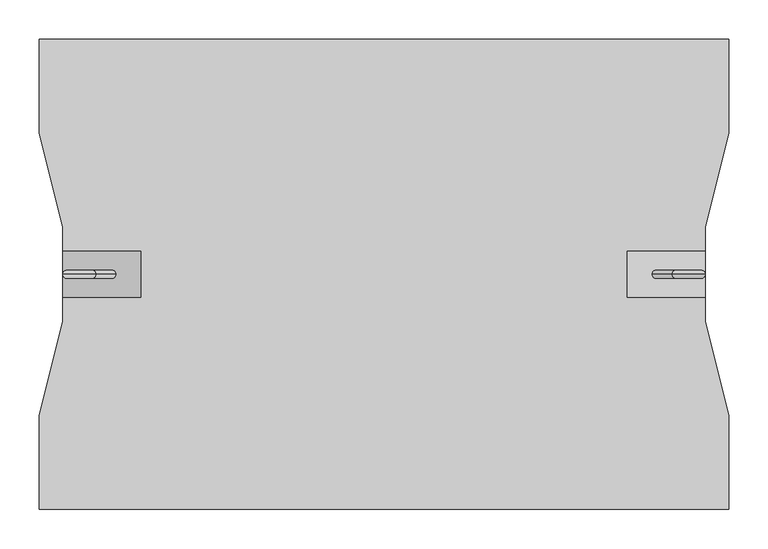
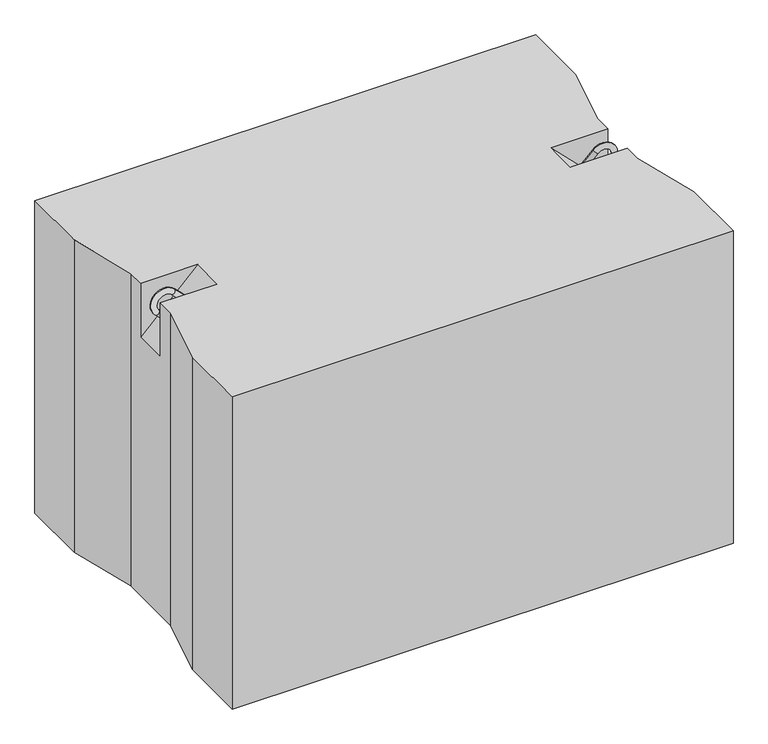
"""IFC4 building model written with IfcOpenShell, lengths in millimetres: proxy geometry."""

from ifc_helpers import new_model, si_unit, point, frame, origin, place, context, project, spatial, circle_curve, ellipse_curve, trimmed, faceted_brep, source, transform, mapped, element, save
from ifc_brep_helpers import plane_surface, cylinder_surface, revolved_surface, advanced_brep


def generic_models_04e360f8(model_context):
    return source(origin(), model_context, "Body", "SolidModel", [
        advanced_brep(
        [(782.3223305, 0.0, 547.6776695), (789.3933983, 0.0, 540.6066017), (814.3933983, 0.0, 565.6066017), (807.3223305, 0.0, 572.6776695), (835.6066017, 0.0, 544.3933983), (842.6776695, 0.0, 537.3223305), (817.6776695, 0.0, 512.3223305), (810.6066017, 0.0, 519.3933983)],
        [
            (0, 1, circle_curve(frame((785.8578644, 0.0, 544.1421356), z_axis=(-0.7071067811865482, 0.0, -0.7071067811865468), x_axis=(0.7071067811865468, 0.0, -0.7071067811865482)), 5.0)),
            (1, 0, circle_curve(frame((785.8578644, 0.0, 544.1421356), z_axis=(-0.7071067811865482, 0.0, -0.7071067811865468), x_axis=(0.7071067811865468, 0.0, -0.7071067811865482)), 5.0)),
            (1, 2),
            (2, 3, circle_curve(frame((810.8578644, 0.0, 569.1421356), z_axis=(-0.7071067811865482, 0.0, -0.7071067811865468), x_axis=(0.7071067811865468, 0.0, -0.7071067811865482)), 5.0)),
            (3, 0),
            (3, 2, circle_curve(frame((810.8578644, 0.0, 569.1421356), z_axis=(-0.7071067811865482, 0.0, -0.7071067811865468), x_axis=(0.7071067811865468, 0.0, -0.7071067811865482)), 5.0)),
            (4, 5, circle_curve(frame((839.1421356, 0.0, 540.8578644), z_axis=(0.7071067811865457, 0.0, 0.7071067811865493), x_axis=(-0.7071067811865493, 0.0, 0.7071067811865457)), 5.0)),
            (5, 3, circle_curve(frame((825.0, 0.0, 555.0), z_axis=(0.0, -1.0, 0.0), x_axis=(-0.7071067811865468, 0.0, 0.7071067811865482)), 25.0)),
            (2, 4, circle_curve(frame((825.0, 0.0, 555.0), z_axis=(0.0, 1.0, 0.0), x_axis=(-0.7071067811865468, 0.0, 0.7071067811865482)), 15.0)),
            (5, 4, circle_curve(frame((839.1421356, 0.0, 540.8578644), z_axis=(0.7071067811865459, 0.0, 0.7071067811865491), x_axis=(-0.7071067811865491, 0.0, 0.7071067811865459)), 5.0)),
            (6, 7, circle_curve(frame((814.1421356, 0.0, 515.8578644), z_axis=(-0.7071067811865505, 0.0, -0.7071067811865446), x_axis=(-0.7071067811865446, 0.0, 0.7071067811865505)), 5.0)),
            (7, 6, circle_curve(frame((814.1421356, 0.0, 515.8578644), z_axis=(-0.7071067811865505, 0.0, -0.7071067811865446), x_axis=(-0.7071067811865446, 0.0, 0.7071067811865505)), 5.0)),
            (4, 7),
            (6, 5),
        ],
        [
            plane_surface(frame((782.3223305, 0.0, 547.6776695), z_axis=(-0.7071067811865482, 0.0, -0.7071067811865468), x_axis=(0.0, -1.0, 0.0))),
            cylinder_surface(frame((785.8578644, 0.0, 544.1421356), z_axis=(-0.7071067811865482, 0.0, -0.7071067811865468), x_axis=(0.7071067811865468, 0.0, -0.7071067811865482)), 5.0),
            revolved_surface(trimmed(ellipse_curve(frame((810.8578644, 0.0, 569.1421356), z_axis=(0.7071067811865482, 0.0, 0.7071067811865468), x_axis=(0.7071067811865468, 0.0, -0.7071067811865482)), 5.0, 5.0), [point((807.3223305, 0.0, 572.6776695))], [point((814.3933983, 0.0, 565.6066017))], True, "CARTESIAN"), (825.0, 0.0, 555.0), (0.0, -1.0, 0.0)),
            revolved_surface(trimmed(ellipse_curve(frame((810.8578644, 0.0, 569.1421356), z_axis=(0.7071067811865482, 0.0, 0.7071067811865468), x_axis=(0.7071067811865468, 0.0, -0.7071067811865482)), 5.0, 5.0), [point((814.3933983, 0.0, 565.6066017))], [point((807.3223305, 0.0, 572.6776695))], True, "CARTESIAN"), (825.0, 0.0, 555.0), (0.0, -1.0, 0.0)),
            plane_surface(frame((817.6776695, 0.0, 512.3223305), z_axis=(-0.7071067811865505, 0.0, -0.7071067811865446), x_axis=(0.0, -1.0, 0.0))),
            cylinder_surface(frame((839.1421356, 0.0, 540.8578644), z_axis=(0.7071067811865505, 0.0, 0.7071067811865446), x_axis=(-0.7071067811865446, 0.0, 0.7071067811865505)), 5.0),
        ],
        [
            (0, [[1, 2]]),
            (1, [[3, 4, 5, -2]]),
            (1, [[-5, 6, -3, -1]]),
            (2, [[7, 8, -4, 9]]),
            (3, [[10, -9, -6, -8]]),
            (4, [[11, 12]]),
            (5, [[13, -11, 14, -7]]),
            (5, [[-14, -12, -13, -10]]),
        ],
    ),
        advanced_brep(
        [(97.6776695, 0.0, 547.6776695), (90.6066017, 0.0, 540.6066017), (72.6776695, 0.0, 572.6776695), (65.6066017, 0.0, 565.6066017), (44.3933983, 0.0, 544.3933983), (37.3223305, 0.0, 537.3223305), (62.3223305, 0.0, 512.3223305), (69.3933983, 0.0, 519.3933983)],
        [
            (0, 1, circle_curve(frame((94.1421356, 0.0, 544.1421356), z_axis=(0.707106781186546, 0.0, -0.707106781186549), x_axis=(-0.707106781186549, 0.0, -0.707106781186546)), 5.0)),
            (1, 0, circle_curve(frame((94.1421356, 0.0, 544.1421356), z_axis=(0.707106781186546, 0.0, -0.707106781186549), x_axis=(-0.707106781186549, 0.0, -0.707106781186546)), 5.0)),
            (0, 2),
            (2, 3, circle_curve(frame((69.1421356, 0.0, 569.1421356), z_axis=(0.707106781186546, 0.0, -0.707106781186549), x_axis=(-0.707106781186549, 0.0, -0.707106781186546)), 5.0)),
            (3, 1),
            (3, 2, circle_curve(frame((69.1421356, 0.0, 569.1421356), z_axis=(0.707106781186546, 0.0, -0.707106781186549), x_axis=(-0.707106781186549, 0.0, -0.707106781186546)), 5.0)),
            (4, 3, circle_curve(frame((55.0, 0.0, 555.0), z_axis=(0.0, 1.0, 0.0), x_axis=(0.707106781186549, 0.0, 0.707106781186546)), 15.0)),
            (2, 5, circle_curve(frame((55.0, 0.0, 555.0), z_axis=(0.0, -1.0, 0.0), x_axis=(0.707106781186549, 0.0, 0.707106781186546)), 25.0)),
            (5, 4, circle_curve(frame((40.8578644, 0.0, 540.8578644), z_axis=(-0.7071067811865437, 0.0, 0.7071067811865513), x_axis=(0.7071067811865513, 0.0, 0.7071067811865437)), 5.0)),
            (4, 5, circle_curve(frame((40.8578644, 0.0, 540.8578644), z_axis=(-0.7071067811865437, 0.0, 0.7071067811865513), x_axis=(0.7071067811865513, 0.0, 0.7071067811865437)), 5.0)),
            (6, 7, circle_curve(frame((65.8578644, 0.0, 515.8578644), z_axis=(0.7071067811865482, 0.0, -0.7071067811865468), x_axis=(0.7071067811865468, 0.0, 0.7071067811865482)), 5.0)),
            (7, 6, circle_curve(frame((65.8578644, 0.0, 515.8578644), z_axis=(0.7071067811865482, 0.0, -0.7071067811865468), x_axis=(0.7071067811865468, 0.0, 0.7071067811865482)), 5.0)),
            (5, 6),
            (7, 4),
        ],
        [
            plane_surface(frame((97.6776695, 0.0, 547.6776695), z_axis=(0.707106781186546, 0.0, -0.707106781186549), x_axis=(0.0, -1.0, 0.0))),
            cylinder_surface(frame((94.1421356, 0.0, 544.1421356), z_axis=(0.707106781186546, 0.0, -0.707106781186549), x_axis=(-0.707106781186549, 0.0, -0.707106781186546)), 5.0),
            revolved_surface(trimmed(ellipse_curve(frame((69.1421356, 0.0, 569.1421356), z_axis=(0.707106781186546, 0.0, -0.707106781186549), x_axis=(-0.707106781186549, 0.0, -0.707106781186546)), 5.0, 5.0), [point((72.6776695, 0.0, 572.6776695))], [point((65.6066017, 0.0, 565.6066017))], True, "CARTESIAN"), (55.0, 0.0, 555.0), (0.0, -1.0, 0.0)),
            revolved_surface(trimmed(ellipse_curve(frame((69.1421356, 0.0, 569.1421356), z_axis=(0.707106781186546, 0.0, -0.707106781186549), x_axis=(-0.707106781186549, 0.0, -0.707106781186546)), 5.0, 5.0), [point((65.6066017, 0.0, 565.6066017))], [point((72.6776695, 0.0, 572.6776695))], True, "CARTESIAN"), (55.0, 0.0, 555.0), (0.0, -1.0, 0.0)),
            plane_surface(frame((62.3223305, 0.0, 512.3223305), z_axis=(0.7071067811865482, 0.0, -0.7071067811865468), x_axis=(0.0, -1.0, 0.0))),
            cylinder_surface(frame((40.8578644, 0.0, 540.8578644), z_axis=(-0.7071067811865482, 0.0, 0.7071067811865468), x_axis=(0.7071067811865468, 0.0, 0.7071067811865482)), 5.0),
        ],
        [
            (0, [[1, 2]]),
            (1, [[-1, 3, 4, 5]]),
            (1, [[-2, -5, 6, -3]]),
            (2, [[7, -4, 8, 9]]),
            (3, [[-8, -6, -7, 10]]),
            (4, [[11, 12]]),
            (5, [[-9, 13, -12, 14]]),
            (5, [[-10, -14, -11, -13]]),
        ],
    ),
        faceted_brep([(880.0, 300.0, 580.0), (0.0, 300.0, 580.0), (0.0, 180.0, 580.0), (30.0, 60.0, 580.0), (30.0, 30.0, 580.0), (130.0, 30.0, 580.0), (130.0, -30.0, 580.0), (30.0, -30.0, 580.0), (30.0, -60.0, 580.0), (0.0, -180.0, 580.0), (0.0, -300.0, 580.0), (880.0, -300.0, 580.0), (880.0, -180.0, 580.0), (850.0, -60.0, 580.0), (850.0, -30.0, 580.0), (750.0, -30.0, 580.0), (750.0, 30.0, 580.0), (850.0, 30.0, 580.0), (850.0, 60.0, 580.0), (880.0, 180.0, 580.0), (880.0, 300.0, 0.0), (880.0, 180.0, 0.0), (850.0, 60.0, 0.0), (850.0, -60.0, 0.0), (880.0, -180.0, 0.0), (880.0, -300.0, 0.0), (0.0, -300.0, 0.0), (0.0, -180.0, 0.0), (30.0, -60.0, 0.0), (30.0, 60.0, 0.0), (0.0, 180.0, 0.0), (0.0, 300.0, 0.0), (30.0, -30.0, 480.0), (30.0, 30.0, 480.0), (850.0, 30.0, 480.0), (850.0, -30.0, 480.0)], [[[0, 1, 2, 3, 4, 5, 6, 7, 8, 9, 10, 11, 12, 13, 14, 15, 16, 17, 18, 19]], [[20, 21, 22, 23, 24, 25, 26, 27, 28, 29, 30, 31]], [[1, 0, 20, 31]], [[10, 9, 27, 26]], [[11, 10, 26, 25]], [[0, 19, 21, 20]], [[2, 1, 31, 30]], [[3, 2, 30, 29]], [[29, 28, 8, 7, 32, 33, 4, 3]], [[9, 8, 28, 27]], [[12, 11, 25, 24]], [[13, 12, 24, 23]], [[23, 22, 18, 17, 34, 35, 14, 13]], [[19, 18, 22, 21]], [[6, 32, 7]], [[35, 15, 14]], [[33, 5, 4]], [[16, 34, 17]], [[32, 6, 5, 33]], [[15, 35, 34, 16]]]),
    ])


if __name__ == "__main__":
    model = new_model("IFC4")
    model_context = context("Model", 3, world=origin())
    ifc_project = project(units=[si_unit("LENGTHUNIT", "METRE", prefix="MILLI")], contexts=[model_context])
    site = spatial("IfcSite", under=ifc_project)
    building = spatial("IfcBuilding", under=site)
    placement = place(None, origin())
    generic_models_shape = generic_models_04e360f8(model_context)
    element("IfcBuildingElementProxy", 1, Name="Generic Models", at=placement, inside=building, context=model_context, shape_type="MappedRepresentation", body=[
        mapped(generic_models_shape, transform((0.0, 0.0, 0.0), x_axis=(1.0, 0.0, 0.0), y_axis=(0.0, 1.0, 0.0), z_axis=(0.0, 0.0, 1.0))),
    ])
    save(model, "model.ifc")
